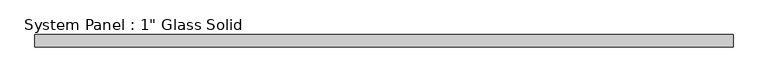
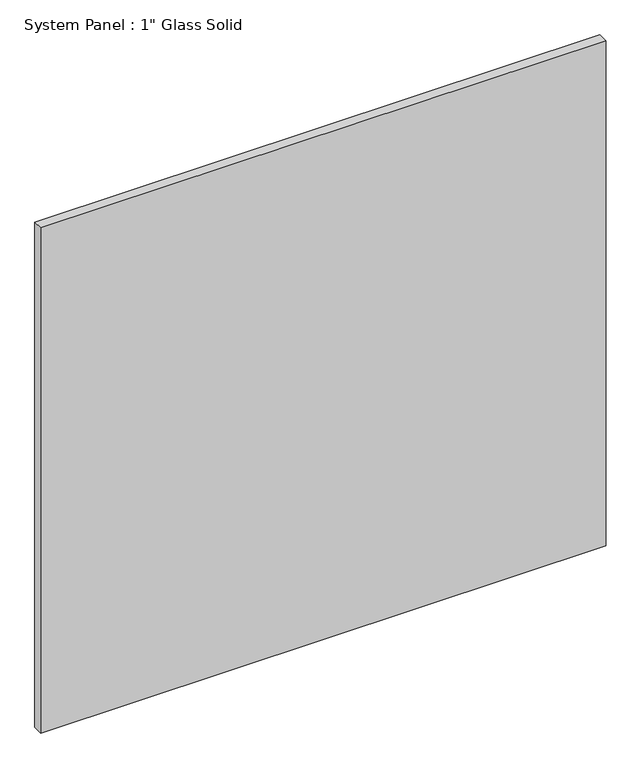
"""IFC4 building model written with IfcOpenShell, lengths in millimetres: plate geometry."""

from ifc_helpers import new_model, si_unit, origin, origin_with_axes, place, context, project, spatial, polyline, outline, extrude, source, transform, mapped, element, save


def plate_173ac8aa(model_context):
    return source(origin(), model_context, "Body", "SweptSolid", [
        extrude(outline(polyline([(728.1342185, -12.7), (-728.1342185, -12.7), (-728.1342185, 12.7), (728.1342185, 12.7), (728.1342185, -12.7)])), origin_with_axes(), (0.0, 0.0, 1.0), 1375.5241382),
    ])


if __name__ == "__main__":
    model = new_model("IFC4")
    model_context = context("Model", 3, world=origin())
    ifc_project = project(units=[si_unit("LENGTHUNIT", "METRE", prefix="MILLI")], contexts=[model_context])
    site = spatial("IfcSite", under=ifc_project)
    building = spatial("IfcBuilding", under=site)
    placement = place(None, origin())
    plate_shape = plate_173ac8aa(model_context)
    element("IfcPlate", 1, ObjectType="System Panel : 1\" Glass Solid", at=placement, inside=building, context=model_context, shape_type="MappedRepresentation", body=[
        mapped(plate_shape, transform((0.0, 0.0, 0.0), x_axis=(1.0, 0.0, 0.0), y_axis=(0.0, 1.0, 0.0), z_axis=(0.0, 0.0, 1.0))),
    ])
    save(model, "model.ifc")
